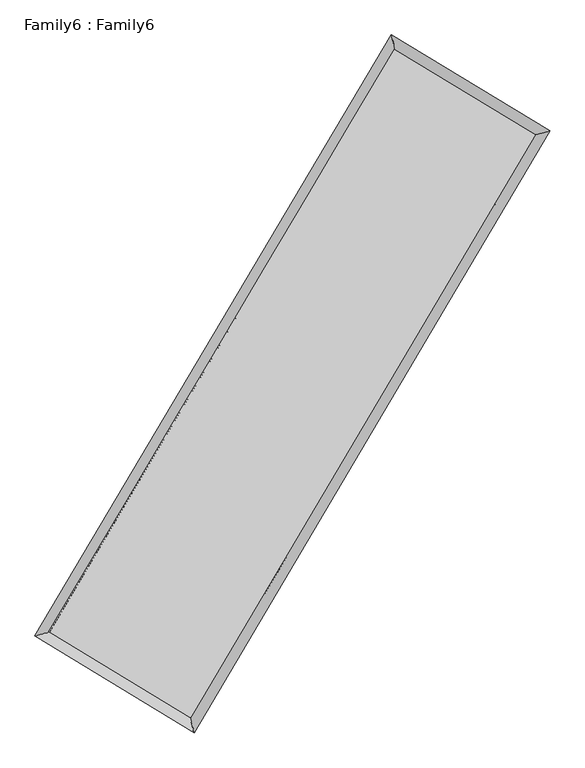
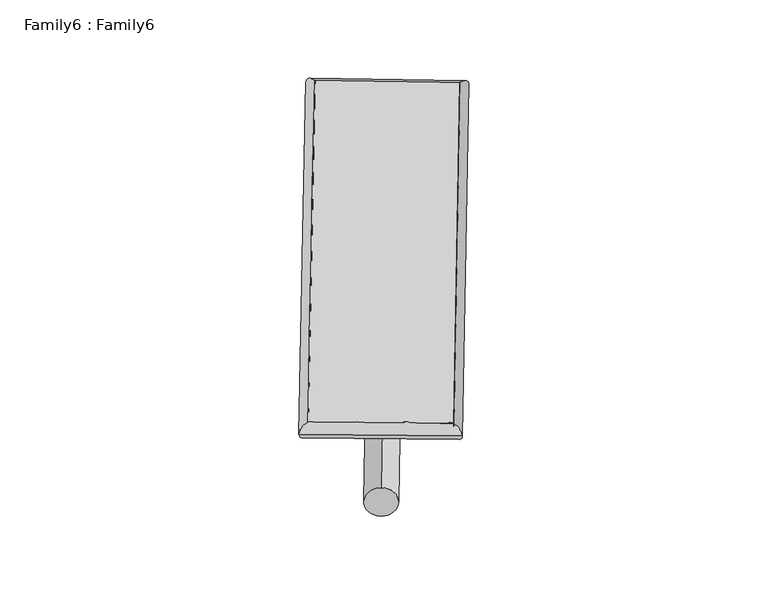
"""IFC4 building model written with IfcOpenShell, lengths in millimetres: plate geometry, Family6 : Family6."""

from ifc_helpers import new_model, si_unit, point, frame, origin, origin_2d, place, context, project, spatial, circle_curve, ellipse_curve, trimmed, segment, composite_curve, outline, extrude, source, transform, mapped, element, save
from ifc_brep_helpers import plane_surface, cylinder_surface, spline_surface, advanced_brep


def family6_family6_e4d8bf79(model_context):
    return source(origin(), model_context, "Body", "SolidModel", [
        extrude(outline(composite_curve([segment(trimmed(circle_curve(origin_2d(), 76.2), [point((-75.4341514, -10.7763073))], [point((75.4341514, 10.7763073))], False, "CARTESIAN"), True, "CONTINUOUS"), segment(trimmed(circle_curve(origin_2d(), 76.2), [point((75.4341514, 10.7763073))], [point((-75.4341514, -10.7763073))], False, "CARTESIAN"), True, "CONTINUOUS")], self_intersect=False)), frame((9144.0, 9144.0, 0.0), z_axis=(0.672601670535779, 0.6878558768875666, 0.2728759524467413), x_axis=(-0.6798339627211926, 0.720016062366737, -0.13929340639348087)), (0.0, 0.0, 1.0), 5560.3711444),
        extrude(outline(composite_curve([segment(trimmed(circle_curve(origin_2d(), 76.2), [point((-53.8815367, 53.8815367))], [point((53.8815367, -53.8815367))], False, "CARTESIAN"), True, "CONTINUOUS"), segment(trimmed(circle_curve(origin_2d(), 76.2), [point((53.8815367, -53.8815367))], [point((-53.8815367, 53.8815367))], False, "CARTESIAN"), True, "CONTINUOUS")], self_intersect=False)), frame((9144.0, 9144.0, 0.0), z_axis=(-0.6732697144865496, -0.687196991671072, 0.2728885966716617), x_axis=(0.6412788253549544, -0.3589850554591187, 0.6781527837503755)), (0.0, 0.0, 1.0), 5560.1814775),
        extrude(outline(composite_curve([segment(trimmed(circle_curve(origin_2d(), 76.2), [point((-53.8815367, -53.8815368))], [point((53.8815367, 53.8815368))], False, "CARTESIAN"), True, "CONTINUOUS"), segment(trimmed(circle_curve(origin_2d(), 76.2), [point((53.8815367, 53.8815368))], [point((-53.8815367, -53.8815368))], False, "CARTESIAN"), True, "CONTINUOUS")], self_intersect=False)), frame((9144.0, 9144.0, 0.0), z_axis=(0.28038763151359686, 0.9201217568370014, 0.2734204247845899), x_axis=(-0.838705274150046, 0.3733808445203555, -0.39643436790742836)), (0.0, 0.0, 1.0), 5586.8438603),
        extrude(outline(composite_curve([segment(trimmed(circle_curve(origin_2d(), 76.2), [point((-75.4341515, 10.7763073))], [point((75.4341515, -10.7763073))], False, "CARTESIAN"), True, "CONTINUOUS"), segment(trimmed(circle_curve(origin_2d(), 76.2), [point((75.4341515, -10.7763073))], [point((-75.4341515, 10.7763073))], False, "CARTESIAN"), True, "CONTINUOUS")], self_intersect=False)), frame((9144.0, 9144.0, 0.0), z_axis=(-0.2796618305176319, -0.920403234118438, 0.2732163010800184), x_axis=(0.8769566623994045, -0.1290458709801024, 0.4629191889048063)), (0.0, 0.0, 1.0), 5591.1711247),
        advanced_brep(
        [(5192.5785083, 5271.1155172, 1518.1335746), (5608.4214555, 5375.0095121, 1518.3462982), (5608.4179001, 5375.0045138, 1516.4866667), (10763.1631503, 14074.5293107, 1526.4341915), (10657.800685, 14494.6238651, 1528.6802515), (5192.5749528, 5271.110519, 1516.2739431), (12675.9764862, 12916.4713879, 1517.3995117), (13091.8533549, 13020.9965508, 1517.1836323), (7527.692463, 4208.2386331, 1527.4052676), (7633.0332341, 3787.4973956, 1527.7929192)],
        [
            (0, 1, ellipse_curve(frame((5400.4982042, 5323.0600155, 1517.3101206), z_axis=(-0.24238748040675956, 0.9701771548567183, -0.0021441866024465607), x_axis=(-0.9701713562637703, -0.24239391670741614, -0.003567720358284901)), 214.3174617, 152.4)),
            (1, 2, ellipse_curve(frame((5400.4982042, 5323.0600155, 1517.3101206), z_axis=(-0.24238748040675956, 0.9701771548567183, -0.0021441866024465607), x_axis=(-0.9701713562637703, -0.24239391670741614, -0.003567720358284901)), 214.3174617, 152.4)),
            (2, 3),
            (3, 4, ellipse_curve(frame((10710.4819176, 14284.5765879, 1527.5572215), z_axis=(-0.9699531185262463, -0.24328220534478992, 0.0021717328990730105), x_axis=(0.24327380996222311, -0.969951210626571, -0.003535871959449528)), 216.5561411, 152.4)),
            (4, 0),
            (2, 5, ellipse_curve(frame((5400.4982042, 5323.0600155, 1517.3101206), z_axis=(-0.24238748040675956, 0.9701771548567183, -0.0021441866024465607), x_axis=(-0.9701713562637703, -0.24239391670741614, -0.003567720358284901)), 214.3174617, 152.4)),
            (5, 0, ellipse_curve(frame((5400.4982042, 5323.0600155, 1517.3101206), z_axis=(-0.24238748040675956, 0.9701771548567183, -0.0021441866024465607), x_axis=(-0.9701713562637703, -0.24239391670741614, -0.003567720358284901)), 214.3174617, 152.4)),
            (4, 3, ellipse_curve(frame((10710.4819176, 14284.5765879, 1527.5572215), z_axis=(-0.9699531185262463, -0.24328220534478992, 0.0021717328990730105), x_axis=(0.24327380996222311, -0.969951210626571, -0.003535871959449528)), 216.5561411, 152.4)),
            (3, 6),
            (6, 7, ellipse_curve(frame((12883.9149206, 12968.7339694, 1517.291572), z_axis=(-0.2437540413244165, 0.9698347076902893, 0.0021464149891364517), x_axis=(-0.969828873086396, -0.24376048733131198, 0.0035751564962520866)), 214.4066377, 152.4)),
            (7, 4),
            (7, 6, ellipse_curve(frame((12883.9149206, 12968.7339694, 1517.291572), z_axis=(-0.2437540413244165, 0.9698347076902893, 0.0021464149891364517), x_axis=(-0.969828873086396, -0.24376048733131198, 0.0035751564962520866)), 214.4066377, 152.4)),
            (6, 8),
            (8, 9, ellipse_curve(frame((7580.3628485, 3997.8680144, 1527.5990934), z_axis=(0.9700553592811955, 0.24287426572001777, 0.0021658672150138337), x_axis=(-0.2428659066909736, 0.9700534486302975, -0.003529612958685436)), 216.8647948, 152.4)),
            (9, 7),
            (9, 8, ellipse_curve(frame((7580.3628485, 3997.8680144, 1527.5990934), z_axis=(0.9700553592811955, 0.24287426572001777, 0.0021658672150138337), x_axis=(-0.2428659066909736, 0.9700534486302975, -0.003529612958685436)), 216.8647948, 152.4)),
            (8, 1),
            (5, 9),
        ],
        [
            cylinder_surface(frame((5400.4982042, 5323.0600155, 1517.3101206), z_axis=(-0.5097634472106386, -0.8603140474039422, -0.0009837313525844094), x_axis=(-0.8603001742427173, 0.5097479364112492, 0.00637585464258797)), 152.4),
            cylinder_surface(frame((10710.4819176, 14284.5765879, 1527.5572215), z_axis=(-0.8554331665989493, 0.517897453660243, 0.004040417643173542), x_axis=(0.5179102495699518, 0.8554286347152785, 0.003290030325854939)), 152.4),
            cylinder_surface(frame((12883.9149206, 12968.7339694, 1517.291572), z_axis=(0.5089129628598392, 0.8608174126702042, -0.000989078862068625), x_axis=(0.8608179383945384, -0.5089129628598391, 0.00027050211953631975)), 152.4),
            cylinder_surface(frame((7580.3628485, 3997.8680144, 1527.5990934), z_axis=(0.8544843272893963, -0.5194615172963303, 0.004033170586855383), x_axis=(-0.5194540009159344, -0.8544937903317693, -0.002811266062612895)), 152.4),
        ],
        [
            (0, [[1, 2, 3, 4, 5]]),
            (0, [[6, 7, -5, 8, -3]]),
            (1, [[-4, 9, 10, 11]]),
            (1, [[-8, -11, 12, -9]]),
            (2, [[-10, 13, 14, 15]]),
            (2, [[-12, -15, 16, -13]]),
            (3, [[-14, 17, -1, -7, 18]]),
            (3, [[-16, -18, -6, -2, -17]]),
        ],
    ),
        extrude(outline(composite_curve([segment(trimmed(circle_curve(origin_2d(), 304.8), [point((1e-07, -304.8))], [point((0.0, 304.8))], False, "CARTESIAN"), True, "CONTINUOUS"), segment(trimmed(circle_curve(origin_2d(), 304.8), [point((0.0, 304.8))], [point((1e-07, -304.8))], False, "CARTESIAN"), True, "CONTINUOUS")], self_intersect=False)), frame((6487.3237098, 4643.6324621, -0.0001253), z_axis=(0.5083560017496827, 0.8611470115404666, 2.3974589131715327e-08), x_axis=(-0.8611470115404667, 0.5083560017496827, 6.548448993560444e-09)), (0.0, 0.0, 1.0), 10452.0307859),
        advanced_brep(
        [(5400.4982042, 5323.0600155, 1517.3101206), (7580.3628485, 3997.8680144, 1527.5990934), (7580.3614236, 3997.8694103, 1679.9990934), (5400.4967793, 5323.0614114, 1669.7101206), (12883.9149206, 12968.7339694, 1517.291572), (12883.9134956, 12968.7353653, 1669.691572), (10710.4819176, 14284.5765879, 1527.5572215), (10710.4804927, 14284.5779838, 1679.9572215)],
        [
            (0, 1),
            (1, 2),
            (2, 3),
            (3, 0),
            (1, 4),
            (4, 5),
            (5, 2),
            (4, 6),
            (6, 7),
            (7, 5),
            (6, 0),
            (3, 7),
        ],
        [
            plane_surface(frame((6490.4305264, 4660.464015, 1522.454607), z_axis=(-0.5194657524814636, -0.8544912708682564, 2.969700805999405e-06), x_axis=(0.8544843272893965, -0.5194615172963298, 0.004033170586855383))),
            plane_surface(frame((10232.1388845, 8483.3009919, 1522.4453327), z_axis=(0.8608178400575061, -0.5089132009264344, 1.2709873513076775e-05), x_axis=(0.508912962859839, 0.8608174126702044, -0.0009890788620686268))),
            plane_surface(frame((11797.1984191, 13626.6552786, 1522.4243967), z_axis=(0.5179016706961526, 0.8554401554060787, -2.9930159714858153e-06), x_axis=(-0.8554331665989492, 0.5178974536602428, 0.0040404176431735415))),
            plane_surface(frame((8055.4900609, 9803.8183017, 1522.4336711), z_axis=(-0.8603144572342732, 0.5097637045848585, -1.2712957062900457e-05), x_axis=(-0.5097634472106387, -0.8603140474039422, -0.0009837313525844105))),
            spline_surface(1, 1, [[(7580.3614236, 3997.8694103, 1679.9990934), (5400.4967793, 5323.0614114, 1669.7101206)], [(12883.9134956, 12968.7353653, 1669.691572), (10710.4804927, 14284.5779838, 1679.9572215)]], [2, 2], [2, 2], [0.0, 1.0], [0.0, 1.0]),
            spline_surface(1, 1, [[(10710.4819176, 14284.5765879, 1527.5572215), (5400.4982042, 5323.0600155, 1517.3101206)], [(12883.9149206, 12968.7339694, 1517.291572), (7580.3628485, 3997.8680144, 1527.5990934)]], [2, 2], [2, 2], [0.0, 1.0], [0.0, 1.0]),
        ],
        [
            (0, [[1, 2, 3, 4]]),
            (1, [[5, 6, 7, -2]]),
            (2, [[8, 9, 10, -6]]),
            (3, [[11, -4, 12, -9]]),
            (4, [[-3, -7, -10, -12]]),
            (5, [[-11, -8, -5, -1]]),
        ],
    ),
    ])


if __name__ == "__main__":
    model = new_model("IFC4")
    model_context = context("Model", 3, world=origin())
    ifc_project = project(units=[si_unit("LENGTHUNIT", "METRE", prefix="MILLI")], contexts=[model_context])
    site = spatial("IfcSite", under=ifc_project)
    building = spatial("IfcBuilding", under=site)
    placement = place(None, origin())
    family6_family6_shape = family6_family6_e4d8bf79(model_context)
    element("IfcPlate", 1, ObjectType="Family6 : Family6", at=placement, inside=building, context=model_context, shape_type="MappedRepresentation", body=[
        mapped(family6_family6_shape, transform((0.0, 0.0, 0.0), x_axis=(1.0, 0.0, 0.0), y_axis=(0.0, 1.0, 0.0), z_axis=(0.0, 0.0, 1.0))),
    ])
    save(model, "model.ifc")
